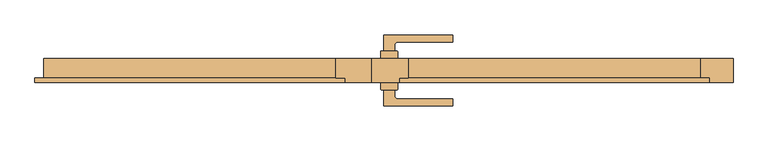
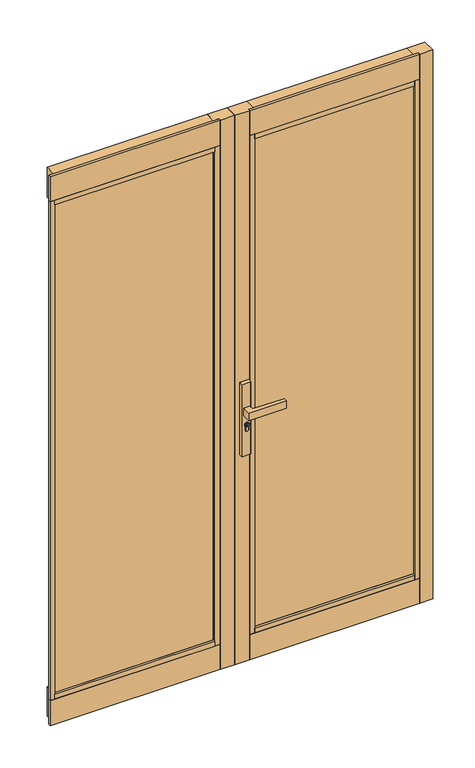
"""IFC4 building model written with IfcOpenShell, lengths in millimetres: door geometry."""

from ifc_helpers import new_model, si_unit, point, frame, frame_2d, origin, place, context, project, spatial, polyline, circle_curve, trimmed, segment, composite_curve, outline, extrude, faceted_brep, source, transform, mapped, element, save


def door_1f2e7cf3(model_context):
    return source(origin(), model_context, "Body", "SolidModel", [
        extrude(outline(composite_curve([segment(trimmed(circle_curve(frame_2d((945.687184, 35.7946715)), 5.9005564), [point((945.687184, 41.6952279))], [point((945.687184, 29.8941151))], False, "CARTESIAN"), True, "CONTINUOUS"), segment(trimmed(circle_curve(frame_2d((945.687184, 35.7946715)), 5.9005564), [point((945.687184, 29.8941151))], [point((945.687184, 41.6952279))], False, "CARTESIAN"), True, "CONTINUOUS")], self_intersect=False), holes=[polyline([(949.7292167, 34.7306001), (949.7292167, 36.7785396), (948.9292167, 36.7785396), (948.3483344, 35.7306001), (947.1634303, 35.7306001), (946.3431864, 36.550844), (944.6002002, 36.550844), (944.0258593, 35.7306001), (941.7685105, 35.7306001), (941.7685105, 34.7306001), (944.5464263, 34.7306001), (945.1207673, 35.550844), (945.9289729, 35.550844), (946.7492167, 34.7306001), (949.7292167, 34.7306001)])]), frame((0.0, 40.2500427, 0.0), z_axis=(0.0, 1.0, 0.0), x_axis=(0.0, 0.0, 1.0)), (0.0, 0.0, 1.0), 4.423715),
        extrude(outline(composite_curve([segment(trimmed(circle_curve(frame_2d((19.1461528, 39.0000422)), 1.0), [point((18.1461528, 39.0000422))], [point((19.1461528, 40.0000422))], False, "CARTESIAN"), True, "CONTINUOUS"), segment(polyline([(19.1461528, 40.0000422), (52.1461525, 40.0000422)]), True, "CONTINUOUS"), segment(trimmed(circle_curve(frame_2d((52.1461525, 39.0000422)), 1.0), [point((52.1461525, 40.0000422))], [point((53.1461525, 39.0000422))], False, "CARTESIAN"), True, "CONTINUOUS"), segment(polyline([(53.1461525, 39.0000422), (53.1461525, 25.0000426), (18.1461528, 25.0000426), (18.1461528, 39.0000422)]), True, "CONTINUOUS")], self_intersect=False)), frame((0.0, 0.0, 822.4734334), z_axis=(0.0, 0.0, 1.0), x_axis=(1.0, 0.0, 0.0)), (0.0, 0.0, 1.0), 287.6450734),
        extrude(outline(composite_curve([segment(polyline([(18.1461528, -38.9999671), (18.1461528, -24.9999674), (53.1461525, -24.9999674), (53.1461525, -38.9999671)]), True, "CONTINUOUS"), segment(trimmed(circle_curve(frame_2d((52.1461525, -38.9999671)), 1.0), [point((53.1461525, -38.9999671))], [point((52.1461525, -39.9999671))], False, "CARTESIAN"), True, "CONTINUOUS"), segment(polyline([(52.1461525, -39.9999671), (19.1461528, -39.9999671)]), True, "CONTINUOUS"), segment(trimmed(circle_curve(frame_2d((19.1461528, -38.9999671)), 1.0), [point((19.1461528, -39.9999671))], [point((18.1461528, -38.9999671))], False, "CARTESIAN"), True, "CONTINUOUS")], self_intersect=False)), frame((0.0, 0.0, 822.4734334), z_axis=(0.0, 0.0, 1.0), x_axis=(1.0, 0.0, 0.0)), (0.0, 0.0, 1.0), 287.6450734),
        extrude(outline(composite_curve([segment(trimmed(circle_curve(frame_2d((945.687184, 35.7946715)), 8.4005564), [point((939.648662, 41.6346715))], [point((939.2521745, 30.3946715))], False, "CARTESIAN"), True, "CONTINUOUS"), segment(polyline([(939.2521745, 30.3946715), (926.2077404, 30.3946715)]), True, "CONTINUOUS"), segment(trimmed(circle_curve(frame_2d((926.2077404, 36.0146715)), 5.62), [point((926.2077404, 30.3946715))], [point((926.2077404, 41.6346715))], False, "CARTESIAN"), True, "CONTINUOUS"), segment(polyline([(926.2077404, 41.6346715), (939.648662, 41.6346715)]), True, "CONTINUOUS")], self_intersect=False), holes=[composite_curve([segment(trimmed(circle_curve(frame_2d((945.687184, 35.7946715)), 6.4005564), [point((945.687184, 42.1952279))], [point((945.687184, 29.3941151))], True, "CARTESIAN"), True, "CONTINUOUS"), segment(trimmed(circle_curve(frame_2d((945.687184, 35.7946715)), 6.4005564), [point((945.687184, 29.3941151))], [point((945.687184, 42.1952279))], True, "CARTESIAN"), True, "CONTINUOUS")], self_intersect=False)]), frame((0.0, 40.2500427, 0.0), z_axis=(0.0, 1.0, 0.0), x_axis=(0.0, 0.0, 1.0)), (0.0, 0.0, 1.0), 3.0593403),
        extrude(outline(composite_curve([segment(trimmed(circle_curve(frame_2d((945.687184, 35.7946715)), 6.4005564), [point((945.687184, 29.3941151))], [point((945.687184, 42.1952279))], False, "CARTESIAN"), True, "CONTINUOUS"), segment(trimmed(circle_curve(frame_2d((945.687184, 35.7946715)), 6.4005564), [point((945.687184, 42.1952279))], [point((945.687184, 29.3941151))], False, "CARTESIAN"), True, "CONTINUOUS")], self_intersect=False), holes=[composite_curve([segment(trimmed(circle_curve(frame_2d((945.687184, 35.7946715)), 5.9005564), [point((945.687184, 29.8941151))], [point((945.687184, 41.6952279))], True, "CARTESIAN"), True, "CONTINUOUS"), segment(trimmed(circle_curve(frame_2d((945.687184, 35.7946715)), 5.9005564), [point((945.687184, 41.6952279))], [point((945.687184, 29.8941151))], True, "CARTESIAN"), True, "CONTINUOUS")], self_intersect=False)]), frame((0.0, 40.2500427, 0.0), z_axis=(0.0, 1.0, 0.0), x_axis=(0.0, 0.0, 1.0)), (0.0, 0.0, 1.0), 3.0593403),
        extrude(outline(composite_curve([segment(polyline([(939.1595834, 30.1946715), (926.2077404, 30.1946715)]), True, "CONTINUOUS"), segment(trimmed(circle_curve(frame_2d((926.2077404, 36.0146715)), 5.82), [point((926.2077404, 30.1946715))], [point((926.2077404, 41.8346715))], False, "CARTESIAN"), True, "CONTINUOUS"), segment(polyline([(926.2077404, 41.8346715), (939.564442, 41.8346715)]), True, "CONTINUOUS"), segment(trimmed(circle_curve(frame_2d((945.687184, 35.7946715)), 8.6005564), [point((939.564442, 41.8346715))], [point((939.1595834, 30.1946715))], False, "CARTESIAN"), True, "CONTINUOUS")], self_intersect=False), holes=[composite_curve([segment(polyline([(926.2077404, 30.3946715), (939.2521745, 30.3946715)]), True, "CONTINUOUS"), segment(trimmed(circle_curve(frame_2d((945.687184, 35.7946715)), 8.4005564), [point((939.2521745, 30.3946715))], [point((939.648662, 41.6346715))], True, "CARTESIAN"), True, "CONTINUOUS"), segment(polyline([(939.648662, 41.6346715), (926.2077404, 41.6346715)]), True, "CONTINUOUS"), segment(trimmed(circle_curve(frame_2d((926.2077404, 36.0146715)), 5.62), [point((926.2077404, 41.6346715))], [point((926.2077404, 30.3946715))], True, "CARTESIAN"), True, "CONTINUOUS")], self_intersect=False)]), frame((0.0, 40.2500427, 0.0), z_axis=(0.0, 1.0, 0.0), x_axis=(0.0, 0.0, 1.0)), (0.0, 0.0, 1.0), 3.0593403),
        extrude(outline(composite_curve([segment(trimmed(circle_curve(frame_2d((91.646153, -862.7499574)), 939.0), [point((24.6461526, 73.8566836))], [point((166.646158, 73.2500422))], False, "CARTESIAN"), True, "CONTINUOUS"), segment(polyline([(166.646158, 73.2500422), (166.646158, 59.2500412), (54.1506874, 59.2500412)]), True, "CONTINUOUS"), segment(trimmed(circle_curve(frame_2d((54.1461526, 51.7500426)), 7.5), [point((54.1506874, 59.2500412))], [point((46.6461526, 51.7500426))], True, "CARTESIAN"), True, "CONTINUOUS"), segment(polyline([(46.6461526, 51.7500426), (46.6461526, 40.2500427), (24.6461526, 40.2500427), (24.6461526, 73.8566836)]), True, "CONTINUOUS")], self_intersect=False)), frame((0.0, 0.0, 985.1796291), z_axis=(0.0, 0.0, 1.0), x_axis=(1.0, 0.0, 0.0)), (0.0, 0.0, 1.0), 29.6407418),
        extrude(outline(composite_curve([segment(trimmed(circle_curve(frame_2d((945.687184, 35.7946715)), 5.9005564), [point((945.687184, 41.6952279))], [point((945.687184, 29.8941151))], False, "CARTESIAN"), True, "CONTINUOUS"), segment(trimmed(circle_curve(frame_2d((945.687184, 35.7946715)), 5.9005564), [point((945.687184, 29.8941151))], [point((945.687184, 41.6952279))], False, "CARTESIAN"), True, "CONTINUOUS")], self_intersect=False), holes=[polyline([(949.7292167, 34.7306001), (949.7292167, 36.7785396), (948.9292167, 36.7785396), (948.3483344, 35.7306001), (947.1634303, 35.7306001), (946.3431864, 36.550844), (944.6002002, 36.550844), (944.0258593, 35.7306001), (941.7685105, 35.7306001), (941.7685105, 34.7306001), (944.5464263, 34.7306001), (945.1207673, 35.550844), (945.9289729, 35.550844), (946.7492167, 34.7306001), (949.7292167, 34.7306001)])]), frame((0.0, -44.6736826, 0.0), z_axis=(0.0, 1.0, 0.0), x_axis=(0.0, 0.0, 1.0)), (0.0, 0.0, 1.0), 4.423715),
        extrude(outline(composite_curve([segment(trimmed(circle_curve(frame_2d((945.687184, 35.7946715)), 8.4005564), [point((939.648662, 41.6346715))], [point((939.2521745, 30.3946715))], False, "CARTESIAN"), True, "CONTINUOUS"), segment(polyline([(939.2521745, 30.3946715), (926.2077404, 30.3946715)]), True, "CONTINUOUS"), segment(trimmed(circle_curve(frame_2d((926.2077404, 36.0146715)), 5.62), [point((926.2077404, 30.3946715))], [point((926.2077404, 41.6346715))], False, "CARTESIAN"), True, "CONTINUOUS"), segment(polyline([(926.2077404, 41.6346715), (939.648662, 41.6346715)]), True, "CONTINUOUS")], self_intersect=False), holes=[composite_curve([segment(trimmed(circle_curve(frame_2d((945.687184, 35.7946715)), 6.4005564), [point((945.687184, 42.1952279))], [point((945.687184, 29.3941151))], True, "CARTESIAN"), True, "CONTINUOUS"), segment(trimmed(circle_curve(frame_2d((945.687184, 35.7946715)), 6.4005564), [point((945.687184, 29.3941151))], [point((945.687184, 42.1952279))], True, "CARTESIAN"), True, "CONTINUOUS")], self_intersect=False)]), frame((0.0, -43.3093079, 0.0), z_axis=(0.0, 1.0, 0.0), x_axis=(0.0, 0.0, 1.0)), (0.0, 0.0, 1.0), 3.0593403),
        extrude(outline(composite_curve([segment(trimmed(circle_curve(frame_2d((945.687184, 35.7946715)), 6.4005564), [point((945.687184, 29.3941151))], [point((945.687184, 42.1952279))], False, "CARTESIAN"), True, "CONTINUOUS"), segment(trimmed(circle_curve(frame_2d((945.687184, 35.7946715)), 6.4005564), [point((945.687184, 42.1952279))], [point((945.687184, 29.3941151))], False, "CARTESIAN"), True, "CONTINUOUS")], self_intersect=False), holes=[composite_curve([segment(trimmed(circle_curve(frame_2d((945.687184, 35.7946715)), 5.9005564), [point((945.687184, 29.8941151))], [point((945.687184, 41.6952279))], True, "CARTESIAN"), True, "CONTINUOUS"), segment(trimmed(circle_curve(frame_2d((945.687184, 35.7946715)), 5.9005564), [point((945.687184, 41.6952279))], [point((945.687184, 29.8941151))], True, "CARTESIAN"), True, "CONTINUOUS")], self_intersect=False)]), frame((0.0, -43.3093079, 0.0), z_axis=(0.0, 1.0, 0.0), x_axis=(0.0, 0.0, 1.0)), (0.0, 0.0, 1.0), 3.0593403),
        extrude(outline(composite_curve([segment(polyline([(939.1595834, 30.1946715), (926.2077404, 30.1946715)]), True, "CONTINUOUS"), segment(trimmed(circle_curve(frame_2d((926.2077404, 36.0146715)), 5.82), [point((926.2077404, 30.1946715))], [point((926.2077404, 41.8346715))], False, "CARTESIAN"), True, "CONTINUOUS"), segment(polyline([(926.2077404, 41.8346715), (939.564442, 41.8346715)]), True, "CONTINUOUS"), segment(trimmed(circle_curve(frame_2d((945.687184, 35.7946715)), 8.6005564), [point((939.564442, 41.8346715))], [point((939.1595834, 30.1946715))], False, "CARTESIAN"), True, "CONTINUOUS")], self_intersect=False), holes=[composite_curve([segment(polyline([(926.2077404, 30.3946715), (939.2521745, 30.3946715)]), True, "CONTINUOUS"), segment(trimmed(circle_curve(frame_2d((945.687184, 35.7946715)), 8.4005564), [point((939.2521745, 30.3946715))], [point((939.648662, 41.6346715))], True, "CARTESIAN"), True, "CONTINUOUS"), segment(polyline([(939.648662, 41.6346715), (926.2077404, 41.6346715)]), True, "CONTINUOUS"), segment(trimmed(circle_curve(frame_2d((926.2077404, 36.0146715)), 5.62), [point((926.2077404, 41.6346715))], [point((926.2077404, 30.3946715))], True, "CARTESIAN"), True, "CONTINUOUS")], self_intersect=False)]), frame((0.0, -43.3093079, 0.0), z_axis=(0.0, 1.0, 0.0), x_axis=(0.0, 0.0, 1.0)), (0.0, 0.0, 1.0), 3.0593403),
        extrude(outline(composite_curve([segment(polyline([(24.6461526, -73.8566084), (24.6461526, -40.2499676), (46.6461526, -40.2499676), (46.6461526, -51.7499674)]), True, "CONTINUOUS"), segment(trimmed(circle_curve(frame_2d((54.1461526, -51.7499674)), 7.5), [point((46.6461526, -51.7499674))], [point((54.1506874, -59.2499661))], True, "CARTESIAN"), True, "CONTINUOUS"), segment(polyline([(54.1506874, -59.2499661), (166.646158, -59.2499661), (166.646158, -73.249967)]), True, "CONTINUOUS"), segment(trimmed(circle_curve(frame_2d((91.646153, 862.7500326)), 939.0), [point((166.646158, -73.249967))], [point((24.6461526, -73.8566084))], False, "CARTESIAN"), True, "CONTINUOUS")], self_intersect=False)), frame((0.0, 0.0, 985.1796291), z_axis=(0.0, 0.0, 1.0), x_axis=(1.0, 0.0, 0.0)), (0.0, 0.0, 1.0), 29.6407418),
        faceted_brep([(75.0, 25.0000426, 109.8321405), (75.0, 25.0000426, -9.2178595), (75.0, -16.0045752, -9.2178595), (75.0, -16.0045752, 90.7821405), (75.0, -16.0045752, 109.8321405), (679.0000593, 25.0000426, 109.8321405), (679.0000593, -16.0045752, 109.8321405), (679.0000593, -16.0045752, 90.7821405), (679.0000593, -16.0045752, -9.2178595), (679.0000593, 25.0000426, -9.2178595), (698.0000593, -16.0045752, -9.2178595), (698.0000593, -24.9999674, -9.2178595), (56.0654397, -24.9999674, -9.2178595), (56.0654397, -16.0045752, -9.2178595), (56.0654397, -16.0045752, 90.7821405), (56.0654397, -24.9999674, 90.7821405), (698.0000593, -16.0045752, 90.7821405), (698.0000593, -24.9999674, 90.7821405)], [[[0, 1, 2, 3, 4]], [[5, 6, 7, 8, 9]], [[0, 5, 9, 1]], [[4, 6, 5, 0]], [[4, 3, 7, 6]], [[1, 9, 8, 10, 11, 12, 13, 2]], [[14, 13, 12, 15]], [[16, 17, 11, 10]], [[10, 8, 7, 16]], [[14, 3, 2, 13]], [[15, 17, 16, 7, 3, 14]], [[12, 11, 17, 15]]]),
        extrude(outline(polyline([(0.0, 25.0000426), (75.0, 25.0000426), (75.0, -16.0045752), (56.0654397, -16.0045752), (56.0654397, -24.9999674), (0.0, -24.9999674), (0.0, 25.0000426)])), frame((0.0, 0.0, -9.2178595), z_axis=(0.0, 0.0, 1.0), x_axis=(1.0, 0.0, 0.0)), (0.0, 0.0, 1.0), 2191.307766),
        extrude(outline(polyline([(0.0, 25.0000326), (0.0, -24.9999674), (-55.0, -24.9999674), (-55.0, -16.0045752), (-75.000002, -16.0045752), (-75.000002, 25.0000326), (0.0, 25.0000326)])), frame((0.0, 0.0, -9.2178595), z_axis=(0.0, 0.0, 1.0), x_axis=(1.0, 0.0, 0.0)), (0.0, 0.0, 1.0), 2191.307766),
        extrude(outline(polyline([(-75.0, -16.0045752), (-678.8000837, -16.0045752), (-678.8000837, 4.9954248), (-75.0, 4.9954248), (-75.0, -16.0045752)])), frame((0.0, 0.0, 109.8321405), z_axis=(0.0, 0.0, 1.0), x_axis=(1.0, 0.0, 0.0)), (0.0, 0.0, 1.0), 1953.2077639),
        extrude(outline(polyline([(-55.0, -24.9999674), (-697.1752952, -24.9999674), (-697.1752952, -16.0045752), (-55.0, -16.0045752), (-55.0, -24.9999674)])), frame((0.0, 0.0, 2082.0399064), z_axis=(0.0, 0.0, 1.0), x_axis=(1.0, 0.0, 0.0)), (0.0, 0.0, 1.0), 100.05),
        extrude(outline(polyline([(-75.000002, -16.0045752), (-678.9042577, -16.0045752), (-678.9042577, 25.0000651), (-75.000002, 25.0000651), (-75.000002, -16.0045752)])), frame((0.0, 0.0, 2063.0399064), z_axis=(0.0, 0.0, 1.0), x_axis=(1.0, 0.0, 0.0)), (0.0, 0.0, 1.0), 119.05),
        extrude(outline(polyline([(-75.000002, -16.0045752), (-678.8000837, -16.0045752), (-678.8000837, 25.0000651), (-75.000002, 25.0000651), (-75.000002, -16.0045752)])), frame((0.0, 0.0, -9.2178595), z_axis=(0.0, 0.0, 1.0), x_axis=(1.0, 0.0, 0.0)), (0.0, 0.0, 1.0), 119.05),
        extrude(outline(polyline([(-75.000002, -24.9999674), (-678.8000837, -24.9999674), (-678.8000837, -16.0045752), (-75.000002, -16.0045752), (-75.000002, -24.9999674)])), frame((0.0, 0.0, 2063.0399064), z_axis=(0.0, 0.0, 1.0), x_axis=(1.0, 0.0, 0.0)), (0.0, 0.0, 1.0), 19.0),
        extrude(outline(polyline([(-75.000002, -24.9999674), (-678.8000837, -24.9999674), (-678.8000837, -16.0045752), (-75.000002, -16.0045752), (-75.000002, -24.9999674)])), frame((0.0, 0.0, 90.7821405), z_axis=(0.0, 0.0, 1.0), x_axis=(1.0, 0.0, 0.0)), (0.0, 0.0, 1.0), 19.05),
        extrude(outline(polyline([(-55.0, -24.9999674), (-697.1752952, -24.9999674), (-697.1752952, -16.0045752), (-55.0, -16.0045752), (-55.0, -24.9999674)])), frame((0.0, 0.0, -9.2178595), z_axis=(0.0, 0.0, 1.0), x_axis=(1.0, 0.0, 0.0)), (0.0, 0.0, 1.0), 100.0),
        extrude(outline(polyline([(-75.000002, -16.0045752), (-55.0, -16.0045752), (-55.0, -24.9999674), (-75.000002, -24.9999674), (-75.000002, -16.0045752)])), frame((0.0, 0.0, 90.7821405), z_axis=(0.0, 0.0, 1.0), x_axis=(1.0, 0.0, 0.0)), (0.0, 0.0, 1.0), 1991.257766),
        extrude(outline(polyline([(75.047959, -16.0045752), (75.047959, -24.9999674), (56.1133987, -24.9999674), (56.1133987, -16.0045752), (75.047959, -16.0045752)])), frame((0.0, 0.0, 90.7821405), z_axis=(0.0, 0.0, 1.0), x_axis=(1.0, 0.0, 0.0)), (0.0, 0.0, 1.0), 1991.257766),
        extrude(outline(polyline([(75.0, -16.0045752), (75.0, 4.9954248), (679.0000593, 4.9954248), (679.0000593, -16.0045752), (75.0, -16.0045752)])), frame((0.0, 0.0, 109.8321405), z_axis=(0.0, 0.0, 1.0), x_axis=(1.0, 0.0, 0.0)), (0.0, 0.0, 1.0), 1953.2077639),
        extrude(outline(polyline([(679.0000593, -16.0045752), (698.0000593, -16.0045752), (698.0000593, -24.9999674), (679.0000593, -24.9999674), (679.0000593, -16.0045752)])), frame((0.0, 0.0, 90.7821405), z_axis=(0.0, 0.0, 1.0), x_axis=(1.0, 0.0, 0.0)), (0.0, 0.0, 1.0), 1991.257766),
        extrude(outline(polyline([(56.0654397, -16.0045752), (698.0000593, -16.0045752), (698.0000593, -24.9999674), (56.0654397, -24.9999674), (56.0654397, -16.0045752)])), frame((0.0, 0.0, 2082.0399064), z_axis=(0.0, 0.0, 1.0), x_axis=(1.0, 0.0, 0.0)), (0.0, 0.0, 1.0), 100.05),
        extrude(outline(polyline([(75.0, 25.0000651), (678.8000837, 25.0000651), (678.8000837, -16.0045752), (75.0, -16.0045752), (75.0, 25.0000651)])), frame((0.0, 0.0, 2063.0399064), z_axis=(0.0, 0.0, 1.0), x_axis=(1.0, 0.0, 0.0)), (0.0, 0.0, 1.0), 119.05),
        extrude(outline(polyline([(75.0, -16.0045752), (678.8000837, -16.0045752), (678.8000837, -24.9999674), (75.0, -24.9999674), (75.0, -16.0045752)])), frame((0.0, 0.0, 2063.0399064), z_axis=(0.0, 0.0, 1.0), x_axis=(1.0, 0.0, 0.0)), (0.0, 0.0, 1.0), 19.0),
        extrude(outline(polyline([(75.0, -16.0045752), (679.0000593, -16.0045752), (679.0000593, -24.9999674), (75.0, -24.9999674), (75.0, -16.0045752)])), frame((0.0, 0.0, 90.7821405), z_axis=(0.0, 0.0, 1.0), x_axis=(1.0, 0.0, 0.0)), (0.0, 0.0, 1.0), 19.05),
        extrude(outline(polyline([(-678.8000837, -16.0045752), (-678.8000837, -24.9999674), (-697.1752952, -24.9999674), (-697.1752952, -16.0045752), (-678.8000837, -16.0045752)])), frame((0.0, 0.0, 90.7821405), z_axis=(0.0, 0.0, 1.0), x_axis=(1.0, 0.0, 0.0)), (0.0, 0.0, 1.0), 1991.257766),
        extrude(outline(polyline([(679.0000593, 25.0000651), (747.0000593, 25.0000651), (747.0000593, -24.9999674), (698.0000593, -24.9999674), (698.0000593, -16.0045752), (679.0000593, -16.0045752), (679.0000593, 25.0000651)])), frame((0.0, 0.0, -9.2178595), z_axis=(0.0, 0.0, 1.0), x_axis=(1.0, 0.0, 0.0)), (0.0, 0.0, 1.0), 2191.307766),
    ])


if __name__ == "__main__":
    model = new_model("IFC4")
    model_context = context("Model", 3, world=origin())
    ifc_project = project(units=[si_unit("LENGTHUNIT", "METRE", prefix="MILLI")], contexts=[model_context])
    site = spatial("IfcSite", under=ifc_project)
    building = spatial("IfcBuilding", under=site)
    placement = place(None, origin())
    door_shape = door_1f2e7cf3(model_context)
    element("IfcDoor", 1, at=placement, inside=building, context=model_context, shape_type="MappedRepresentation", body=[
        mapped(door_shape, transform((0.0, 0.0, 0.0), x_axis=(1.0, 0.0, 0.0), y_axis=(0.0, 1.0, 0.0), z_axis=(0.0, 0.0, 1.0))),
    ])
    save(model, "model.ifc")
